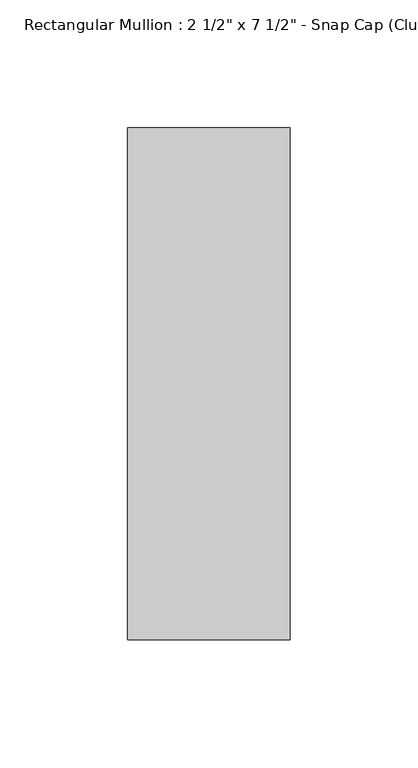
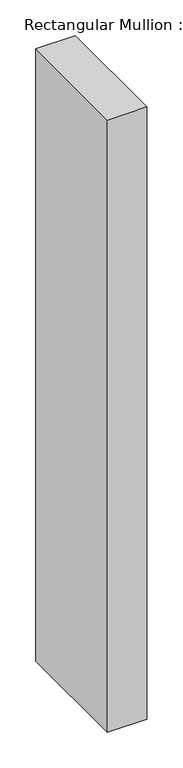
"""IFC4 building model written with IfcOpenShell, lengths in millimetres: member geometry."""

from ifc_helpers import new_model, si_unit, frame, origin, place, context, project, spatial, polyline, outline, extrude, source, transform, mapped, element, save


def member_1639ed24(model_context):
    return source(origin(), model_context, "Body", "SweptSolid", [
        extrude(outline(polyline([(0.0, 25.8), (0.0, -174.2), (-63.5, -174.2), (-63.5, 25.8), (0.0, 25.8)])), frame((0.0, 0.0, -1043.2727273), z_axis=(0.0, 0.0, 1.0), x_axis=(1.0, 0.0, 0.0)), (0.0, 0.0, 1.0), 1043.2727273),
    ])


if __name__ == "__main__":
    model = new_model("IFC4")
    model_context = context("Model", 3, world=origin())
    ifc_project = project(units=[si_unit("LENGTHUNIT", "METRE", prefix="MILLI")], contexts=[model_context])
    site = spatial("IfcSite", under=ifc_project)
    building = spatial("IfcBuilding", under=site)
    placement = place(None, origin())
    member_shape = member_1639ed24(model_context)
    element("IfcMember", 1, ObjectType="Rectangular Mullion : 2 1/2\" x 7 1/2\" - Snap Cap (Club)", at=placement, inside=building, context=model_context, shape_type="MappedRepresentation", body=[
        mapped(member_shape, transform((0.0, 0.0, 0.0), x_axis=(1.0, 0.0, 0.0), y_axis=(0.0, 1.0, 0.0), z_axis=(0.0, 0.0, 1.0))),
    ])
    save(model, "model.ifc")
